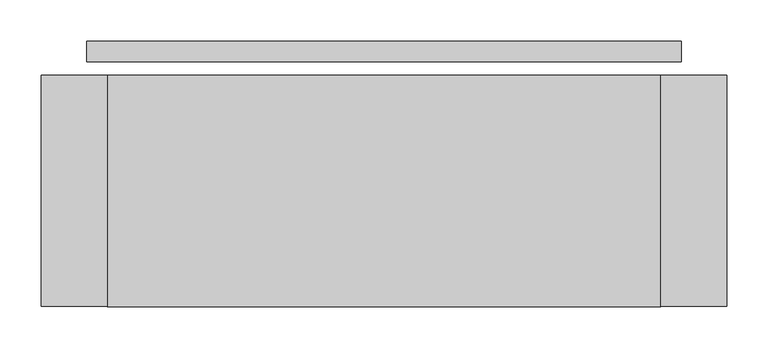
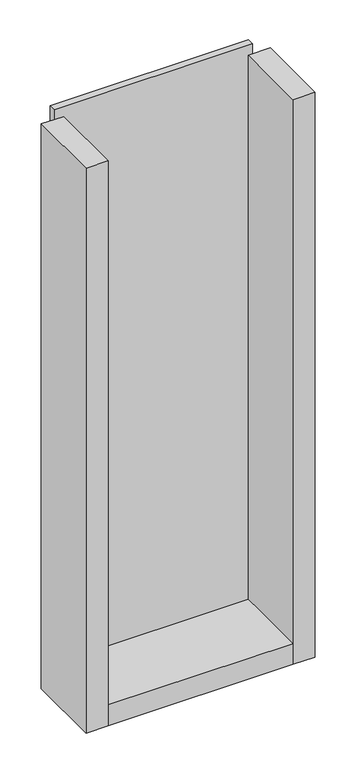
"""IFC4 building model written with IfcOpenShell, lengths in millimetres: plate geometry."""

from ifc_helpers import new_model, si_unit, frame, origin, origin_with_axes, place, context, project, spatial, polyline, outline, extrude, source, transform, mapped, element, save


def plate_64c5a2b7(model_context):
    return source(origin(), model_context, "Body", "SweptSolid", [
        extrude(outline(polyline([(360.0, 0.0), (360.0, -25.0), (-360.0, -25.0), (-360.0, 0.0), (360.0, 0.0)])), origin_with_axes(), (0.0, 0.0, 1.0), 2132.0),
        extrude(outline(polyline([(-335.0, -41.0), (-335.0, -321.0), (-415.0, -321.0), (-415.0, -41.0), (-335.0, -41.0)])), frame((0.0, 0.0, -55.0), z_axis=(0.0, 0.0, 1.0), x_axis=(1.0, 0.0, 0.0)), (0.0, 0.0, 1.0), 2162.0),
        extrude(outline(polyline([(335.0, -321.0), (-335.0, -321.0), (-335.0, -41.0), (335.0, -41.0), (335.0, -321.0)])), frame((0.0, 0.0, -55.0), z_axis=(0.0, 0.0, 1.0), x_axis=(1.0, 0.0, 0.0)), (0.0, 0.0, 1.0), 80.0),
        extrude(outline(polyline([(415.0, -41.0), (415.0, -321.0), (335.0, -321.0), (335.0, -41.0), (415.0, -41.0)])), frame((0.0, 0.0, -55.0), z_axis=(0.0, 0.0, 1.0), x_axis=(1.0, 0.0, 0.0)), (0.0, 0.0, 1.0), 2162.0),
    ])


if __name__ == "__main__":
    model = new_model("IFC4")
    model_context = context("Model", 3, world=origin())
    ifc_project = project(units=[si_unit("LENGTHUNIT", "METRE", prefix="MILLI")], contexts=[model_context])
    site = spatial("IfcSite", under=ifc_project)
    building = spatial("IfcBuilding", under=site)
    placement = place(None, origin())
    plate_shape = plate_64c5a2b7(model_context)
    element("IfcPlate", 1, at=placement, inside=building, context=model_context, shape_type="MappedRepresentation", body=[
        mapped(plate_shape, transform((0.0, 0.0, 0.0), x_axis=(1.0, 0.0, 0.0), y_axis=(0.0, 1.0, 0.0), z_axis=(0.0, 0.0, 1.0))),
    ])
    save(model, "model.ifc")
